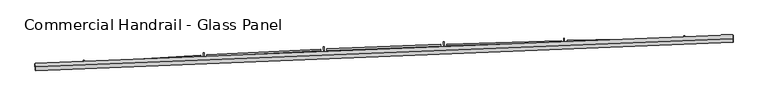
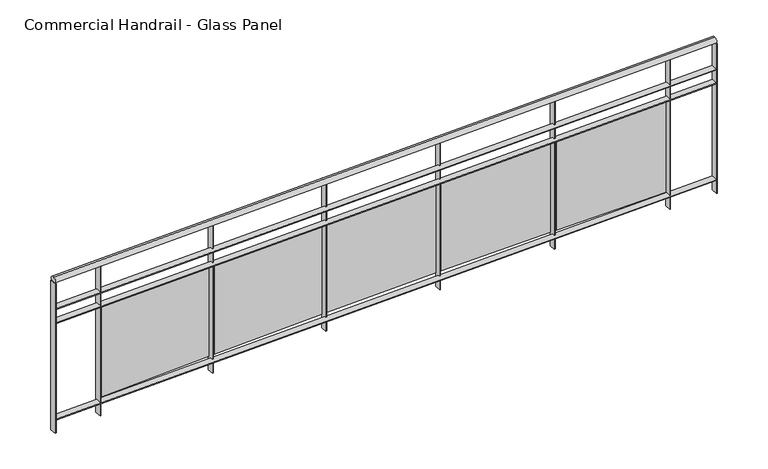
"""IFC4 building model written with IfcOpenShell, lengths in millimetres: railing geometry, Commercial Handrail - Glass Panel."""

from ifc_helpers import new_model, si_unit, point, frame, origin, place, context, project, spatial, polyline, circle_curve, ellipse_curve, trimmed, outline, extrude, source, transform, mapped, element, save
from ifc_brep_helpers import plane_surface, cylinder_surface, revolved_surface, advanced_brep


def commercial_handrail_glass_panel_29442b83(model_context):
    return source(origin(), model_context, "Body", "SolidModel", [
        advanced_brep(
        [(71505.6861982, -30835.0475146, 12882.5), (76144.1741708, -30647.2976365, 12882.5), (76144.1741708, -30647.2976365, 12917.5), (71505.6861982, -30835.0475146, 12917.5)],
        [
            (0, 1, circle_curve(frame((76915.8591208, -107104.6666099, 12882.5), z_axis=(0.0, 0.0, -1.0), x_axis=(-0.010092495439534601, 0.9999490694709421, 0.0)), 76461.263186)),
            (1, 2, ellipse_curve(frame((76144.1741708, -30647.2976365, 12900.0), z_axis=(-0.9999490694709422, -0.010092495439541008, 0.0), x_axis=(-0.010092495439541006, 0.999949069470942, 0.0)), 25.0, 17.5)),
            (2, 3, circle_curve(frame((76915.8591208, -107104.6666099, 12917.5), z_axis=(0.0, 0.0, 1.0), x_axis=(-0.010092495439534601, 0.9999490694709421, 0.0)), 76461.263186)),
            (3, 0, ellipse_curve(frame((71505.6861982, -30835.0475146, 12900.0), z_axis=(0.9974935793277843, 0.07075704346455958, 0.0), x_axis=(-0.07075704346455956, 0.997493579327784, 0.0)), 25.0, 17.5)),
            (2, 1, ellipse_curve(frame((76144.1741708, -30647.2976365, 12900.0), z_axis=(-0.9999490694709422, -0.010092495439541008, 0.0), x_axis=(-0.010092495439541006, 0.999949069470942, 0.0)), 25.0, 17.5)),
            (0, 3, ellipse_curve(frame((71505.6861982, -30835.0475146, 12900.0), z_axis=(0.9974935793277843, 0.07075704346455958, 0.0), x_axis=(-0.07075704346455956, 0.997493579327784, 0.0)), 25.0, 17.5)),
        ],
        [
            revolved_surface(trimmed(ellipse_curve(frame((76144.1741708, -30647.2976365, 12900.0), z_axis=(0.9999490694709421, 0.010092495439534601, 0.0), x_axis=(0.0, 0.0, -1.0)), 17.5, 25.0), [point((76144.1741708, -30647.2976365, 12917.5))], [point((76144.1741708, -30647.2976365, 12882.5))], True, "CARTESIAN"), (76915.8591208, -107104.6666099, 12900.0), (0.0, 0.0, 1.0)),
            revolved_surface(trimmed(ellipse_curve(frame((76144.1741708, -30647.2976365, 12900.0), z_axis=(0.9999490694709421, 0.010092495439534601, 0.0), x_axis=(0.0, 0.0, -1.0)), 17.5, 25.0), [point((76144.1741708, -30647.2976365, 12882.5))], [point((76144.1741708, -30647.2976365, 12917.5))], True, "CARTESIAN"), (76915.8591208, -107104.6666099, 12900.0), (0.0, 0.0, 1.0)),
            plane_surface(frame((76144.1741708, -30647.2976365, 12900.0), z_axis=(0.9999490694709421, 0.010092495439534601, 0.0), x_axis=(0.010092495439534601, -0.9999490694709421, 0.0))),
            plane_surface(frame((71505.6861982, -30835.0475146, 12900.0), z_axis=(-0.9974935793277843, -0.07075704346455959, 0.0), x_axis=(0.07075704346455959, -0.9974935793277843, 0.0))),
        ],
        [
            (0, [[1, 2, 3, 4]]),
            (1, [[-3, 5, -1, 6]]),
            (2, [[-2, -5]]),
            (3, [[-6, -4]]),
        ],
    ),
        advanced_brep(
        [(71507.2782316, -30857.4911202, 12700.0), (76144.4012519, -30669.7964906, 12700.0), (76143.9470896, -30624.7987825, 12700.0), (71504.0941647, -30812.6039091, 12700.0), (71507.2782316, -30857.4911202, 12694.0), (76144.4012519, -30669.7964906, 12694.0), (71504.0941647, -30812.6039091, 12694.0), (76143.9470896, -30624.7987825, 12694.0)],
        [
            (0, 1, circle_curve(frame((76915.8591208, -107104.6666099, 12700.0), z_axis=(0.0, 0.0, -1.0), x_axis=(-0.010092495439534601, 0.9999490694709421, 0.0)), 76438.763186)),
            (1, 2),
            (2, 3, circle_curve(frame((76915.8591208, -107104.6666099, 12700.0), z_axis=(0.0, 0.0, 1.0), x_axis=(-0.010092495439534601, 0.9999490694709421, 0.0)), 76483.763186)),
            (3, 0),
            (4, 5, circle_curve(frame((76915.8591208, -107104.6666099, 12694.0), z_axis=(0.0, 0.0, -1.0), x_axis=(-0.010092495439534601, 0.9999490694709421, 0.0)), 76438.763186)),
            (5, 1),
            (0, 4),
            (6, 7, circle_curve(frame((76915.8591208, -107104.6666099, 12694.0), z_axis=(0.0, 0.0, -1.0), x_axis=(-0.010092495439534601, 0.9999490694709421, 0.0)), 76483.763186)),
            (7, 5),
            (4, 6),
            (2, 7),
            (6, 3),
        ],
        [
            plane_surface(frame((76915.8591208, -107104.6666099, 12700.0), z_axis=(0.0, 0.0, 1.0), x_axis=(-0.010092495439534601, 0.9999490694709421, 0.0))),
            revolved_surface(polyline([(76144.40125194163, -30669.796490549605, 12700.0), (76144.40125194163, -30669.796490549605, 12694.0)]), (76915.8591208, -107104.6666099, 12700.0), (0.0, 0.0, 1.0)),
            plane_surface(frame((76915.8591208, -107104.6666099, 12694.0), z_axis=(0.0, 0.0, -1.0), x_axis=(-0.010092495439534601, 0.9999490694709421, 0.0))),
            cylinder_surface(frame((76915.8591208, -107104.6666099, 12700.0), z_axis=(0.0, 0.0, 1.0), x_axis=(-0.010092495439534601, 0.9999490694709421, 0.0)), 76483.763186),
            plane_surface(frame((76144.1741708, -30647.2976365, 12700.0), z_axis=(0.9999490694709421, 0.010092495439534601, 0.0), x_axis=(0.010092495439534601, -0.9999490694709421, 0.0))),
            plane_surface(frame((71505.6861982, -30835.0475146, 12700.0), z_axis=(-0.9974935793277843, -0.07075704346455959, 0.0), x_axis=(0.07075704346455959, -0.9974935793277843, 0.0))),
        ],
        [
            (0, [[1, 2, 3, 4]]),
            (1, [[5, 6, -1, 7]]),
            (2, [[8, 9, -5, 10]]),
            (3, [[-3, 11, -8, 12]]),
            (4, [[-2, -6, -9, -11]]),
            (5, [[-12, -10, -7, -4]]),
        ],
    ),
        advanced_brep(
        [(71507.2782316, -30857.4911202, 12600.0), (76144.4012519, -30669.7964906, 12600.0), (76143.9470896, -30624.7987825, 12600.0), (71504.0941647, -30812.6039091, 12600.0), (71507.2782316, -30857.4911202, 12594.0), (76144.4012519, -30669.7964906, 12594.0), (71504.0941647, -30812.6039091, 12594.0), (76143.9470896, -30624.7987825, 12594.0)],
        [
            (0, 1, circle_curve(frame((76915.8591208, -107104.6666099, 12600.0), z_axis=(0.0, 0.0, -1.0), x_axis=(-0.010092495439534601, 0.9999490694709421, 0.0)), 76438.763186)),
            (1, 2),
            (2, 3, circle_curve(frame((76915.8591208, -107104.6666099, 12600.0), z_axis=(0.0, 0.0, 1.0), x_axis=(-0.010092495439534601, 0.9999490694709421, 0.0)), 76483.763186)),
            (3, 0),
            (4, 5, circle_curve(frame((76915.8591208, -107104.6666099, 12594.0), z_axis=(0.0, 0.0, -1.0), x_axis=(-0.010092495439534601, 0.9999490694709421, 0.0)), 76438.763186)),
            (5, 1),
            (0, 4),
            (6, 7, circle_curve(frame((76915.8591208, -107104.6666099, 12594.0), z_axis=(0.0, 0.0, -1.0), x_axis=(-0.010092495439534601, 0.9999490694709421, 0.0)), 76483.763186)),
            (7, 5),
            (4, 6),
            (2, 7),
            (6, 3),
        ],
        [
            plane_surface(frame((76915.8591208, -107104.6666099, 12600.0), z_axis=(0.0, 0.0, 1.0), x_axis=(-0.010092495439534601, 0.9999490694709421, 0.0))),
            revolved_surface(polyline([(76144.40125194163, -30669.796490549605, 12600.0), (76144.40125194163, -30669.796490549605, 12594.0)]), (76915.8591208, -107104.6666099, 12600.0), (0.0, 0.0, 1.0)),
            plane_surface(frame((76915.8591208, -107104.6666099, 12594.0), z_axis=(0.0, 0.0, -1.0), x_axis=(-0.010092495439534601, 0.9999490694709421, 0.0))),
            cylinder_surface(frame((76915.8591208, -107104.6666099, 12600.0), z_axis=(0.0, 0.0, 1.0), x_axis=(-0.010092495439534601, 0.9999490694709421, 0.0)), 76483.763186),
            plane_surface(frame((76144.1741708, -30647.2976365, 12600.0), z_axis=(0.9999490694709421, 0.010092495439534601, 0.0), x_axis=(0.010092495439534601, -0.9999490694709421, 0.0))),
            plane_surface(frame((71505.6861982, -30835.0475146, 12600.0), z_axis=(-0.9974935793277843, -0.07075704346455959, 0.0), x_axis=(0.07075704346455959, -0.9974935793277843, 0.0))),
        ],
        [
            (0, [[1, 2, 3, 4]]),
            (1, [[5, 6, -1, 7]]),
            (2, [[8, 9, -5, 10]]),
            (3, [[-3, 11, -8, 12]]),
            (4, [[-2, -6, -9, -11]]),
            (5, [[-12, -10, -7, -4]]),
        ],
    ),
        advanced_brep(
        [(71507.2782316, -30857.4911202, 11900.0), (76144.4012519, -30669.7964906, 11900.0), (76143.9470896, -30624.7987825, 11900.0), (71504.0941647, -30812.6039091, 11900.0), (71507.2782316, -30857.4911202, 11894.0), (76144.4012519, -30669.7964906, 11894.0), (71504.0941647, -30812.6039091, 11894.0), (76143.9470896, -30624.7987825, 11894.0)],
        [
            (0, 1, circle_curve(frame((76915.8591208, -107104.6666099, 11900.0), z_axis=(0.0, 0.0, -1.0), x_axis=(-0.010092495439534601, 0.9999490694709421, 0.0)), 76438.763186)),
            (1, 2),
            (2, 3, circle_curve(frame((76915.8591208, -107104.6666099, 11900.0), z_axis=(0.0, 0.0, 1.0), x_axis=(-0.010092495439534601, 0.9999490694709421, 0.0)), 76483.763186)),
            (3, 0),
            (4, 5, circle_curve(frame((76915.8591208, -107104.6666099, 11894.0), z_axis=(0.0, 0.0, -1.0), x_axis=(-0.010092495439534601, 0.9999490694709421, 0.0)), 76438.763186)),
            (5, 1),
            (0, 4),
            (6, 7, circle_curve(frame((76915.8591208, -107104.6666099, 11894.0), z_axis=(0.0, 0.0, -1.0), x_axis=(-0.010092495439534601, 0.9999490694709421, 0.0)), 76483.763186)),
            (7, 5),
            (4, 6),
            (2, 7),
            (6, 3),
        ],
        [
            plane_surface(frame((76915.8591208, -107104.6666099, 11900.0), z_axis=(0.0, 0.0, 1.0), x_axis=(-0.010092495439534601, 0.9999490694709421, 0.0))),
            revolved_surface(polyline([(76144.40125194163, -30669.796490549605, 11900.0), (76144.40125194163, -30669.796490549605, 11894.0)]), (76915.8591208, -107104.6666099, 11900.0), (0.0, 0.0, 1.0)),
            plane_surface(frame((76915.8591208, -107104.6666099, 11894.0), z_axis=(0.0, 0.0, -1.0), x_axis=(-0.010092495439534601, 0.9999490694709421, 0.0))),
            cylinder_surface(frame((76915.8591208, -107104.6666099, 11900.0), z_axis=(0.0, 0.0, 1.0), x_axis=(-0.010092495439534601, 0.9999490694709421, 0.0)), 76483.763186),
            plane_surface(frame((76144.1741708, -30647.2976365, 11900.0), z_axis=(0.9999490694709421, 0.010092495439534601, 0.0), x_axis=(0.010092495439534601, -0.9999490694709421, 0.0))),
            plane_surface(frame((71505.6861982, -30835.0475146, 11900.0), z_axis=(-0.9974935793277843, -0.07075704346455959, 0.0), x_axis=(0.07075704346455959, -0.9974935793277843, 0.0))),
        ],
        [
            (0, [[1, 2, 3, 4]]),
            (1, [[5, 6, -1, 7]]),
            (2, [[8, 9, -5, 10]]),
            (3, [[-3, 11, -8, 12]]),
            (4, [[-2, -6, -9, -11]]),
            (5, [[-12, -10, -7, -4]]),
        ],
    ),
        extrude(outline(polyline([(71827.922694, -30790.3236395), (71830.9179943, -30835.2238419), (71824.9313006, -30835.6232153), (71821.9360003, -30790.7230129), (71827.922694, -30790.3236395)])), frame((0.0, 0.0, 11800.0), z_axis=(0.0, 0.0, 1.0), x_axis=(1.0, 0.0, 0.0)), (0.0, 0.0, 1.0), 1082.1192282),
        extrude(outline(polyline([(72605.2601762, -30770.0715329), (71846.6913818, -30816.6911009), (71845.9552833, -30804.7136989), (72604.5240778, -30758.0941309), (72605.2601762, -30770.0715329)])), frame((0.0, 0.0, 11920.0), z_axis=(0.0, 0.0, 1.0), x_axis=(1.0, 0.0, 0.0)), (0.0, 0.0, 1.0), 660.0),
        extrude(outline(polyline([(72626.649414, -30741.2675225), (72629.1747764, -30786.1966061), (72623.184232, -30786.533321), (72620.6588695, -30741.6042375), (72626.649414, -30741.2675225)])), frame((0.0, 0.0, 11800.0), z_axis=(0.0, 0.0, 1.0), x_axis=(1.0, 0.0, 0.0)), (0.0, 0.0, 1.0), 1082.1192282),
        extrude(outline(polyline([(73404.156239, -30729.1495138), (72645.1412017, -30767.8299104), (72644.5304586, -30755.8454624), (73403.5454959, -30717.1650658), (73404.156239, -30729.1495138)])), frame((0.0, 0.0, 11920.0), z_axis=(0.0, 0.0, 1.0), x_axis=(1.0, 0.0, 0.0)), (0.0, 0.0, 1.0), 660.0),
        extrude(outline(polyline([(73425.8456716, -30700.5708675), (73427.9008197, -30745.5239138), (73421.9070802, -30745.7979335), (73419.8519321, -30700.8448873), (73425.8456716, -30700.5708675)])), frame((0.0, 0.0, 11800.0), z_axis=(0.0, 0.0, 1.0), x_axis=(1.0, 0.0, 0.0)), (0.0, 0.0, 1.0), 1082.1192282),
        extrude(outline(polyline([(74203.4367261, -30696.5882832), (73444.0585349, -30727.3252741), (73443.573214, -30715.3350921), (74202.9514052, -30684.5981012), (74203.4367261, -30696.5882832)])), frame((0.0, 0.0, 11920.0), z_axis=(0.0, 0.0, 1.0), x_axis=(1.0, 0.0, 0.0)), (0.0, 0.0, 1.0), 660.0),
        extrude(outline(polyline([(74225.4239791, -30668.2381295), (74227.008688, -30713.2102175), (74221.0124096, -30713.4215121), (74219.4277008, -30668.4494241), (74225.4239791, -30668.2381295)])), frame((0.0, 0.0, 11800.0), z_axis=(0.0, 0.0, 1.0), x_axis=(1.0, 0.0, 0.0)), (0.0, 0.0, 1.0), 1082.1192282),
        extrude(outline(polyline([(75003.0141407, -30672.3914055), (74243.3559243, -30695.1816261), (74242.9960787, -30683.1870226), (75002.6542952, -30660.3968021), (75003.0141407, -30672.3914055)])), frame((0.0, 0.0, 11920.0), z_axis=(0.0, 0.0, 1.0), x_axis=(1.0, 0.0, 0.0)), (0.0, 0.0, 1.0), 660.0),
        extrude(outline(polyline([(75025.2968073, -30644.272848), (75026.4109034, -30689.2590547), (75020.4127425, -30689.4076008), (75019.2986464, -30644.4213942), (75025.2968073, -30644.272848)])), frame((0.0, 0.0, 11800.0), z_axis=(0.0, 0.0, 1.0), x_axis=(1.0, 0.0, 0.0)), (0.0, 0.0, 1.0), 1082.1192282),
        extrude(outline(polyline([(75802.8009535, -30656.5615297), (75042.9458712, -30671.402485), (75042.7115404, -30659.4047731), (75802.5666226, -30644.5638179), (75802.8009535, -30656.5615297)])), frame((0.0, 0.0, 11920.0), z_axis=(0.0, 0.0, 1.0), x_axis=(1.0, 0.0, 0.0)), (0.0, 0.0, 1.0), 660.0),
        extrude(outline(polyline([(75825.3765943, -30628.6776464), (75826.0199557, -30673.6730471), (75820.0205689, -30673.7588287), (75819.3772075, -30628.7634279), (75825.3765943, -30628.6776464)])), frame((0.0, 0.0, 11800.0), z_axis=(0.0, 0.0, 1.0), x_axis=(1.0, 0.0, 0.0)), (0.0, 0.0, 1.0), 1082.1192282),
        extrude(outline(polyline([(71507.0866454, -30812.391638), (71510.2707124, -30857.278849), (71504.2857509, -30857.7033913), (71501.101684, -30812.8161802), (71507.0866454, -30812.391638)])), frame((0.0, 0.0, 11800.0), z_axis=(0.0, 0.0, 1.0), x_axis=(1.0, 0.0, 0.0)), (0.0, 0.0, 1.0), 1082.1192282),
        extrude(outline(polyline([(76146.9469368, -30624.768505), (76147.4010991, -30669.7662131), (76141.4014047, -30669.8267681), (76140.9472424, -30624.82906), (76146.9469368, -30624.768505)])), frame((0.0, 0.0, 11800.0), z_axis=(0.0, 0.0, 1.0), x_axis=(1.0, 0.0, 0.0)), (0.0, 0.0, 1.0), 1082.1192282),
    ])


if __name__ == "__main__":
    model = new_model("IFC4")
    model_context = context("Model", 3, world=origin())
    ifc_project = project(units=[si_unit("LENGTHUNIT", "METRE", prefix="MILLI")], contexts=[model_context])
    site = spatial("IfcSite", under=ifc_project)
    building = spatial("IfcBuilding", under=site)
    placement = place(None, origin())
    commercial_handrail_glass_panel_shape = commercial_handrail_glass_panel_29442b83(model_context)
    element("IfcRailing", 1, ObjectType="Commercial Handrail - Glass Panel", at=placement, inside=building, context=model_context, shape_type="MappedRepresentation", body=[
        mapped(commercial_handrail_glass_panel_shape, transform((0.0, 0.0, 0.0), x_axis=(1.0, 0.0, 0.0), y_axis=(0.0, 1.0, 0.0), z_axis=(0.0, 0.0, 1.0))),
    ])
    save(model, "model.ifc")
